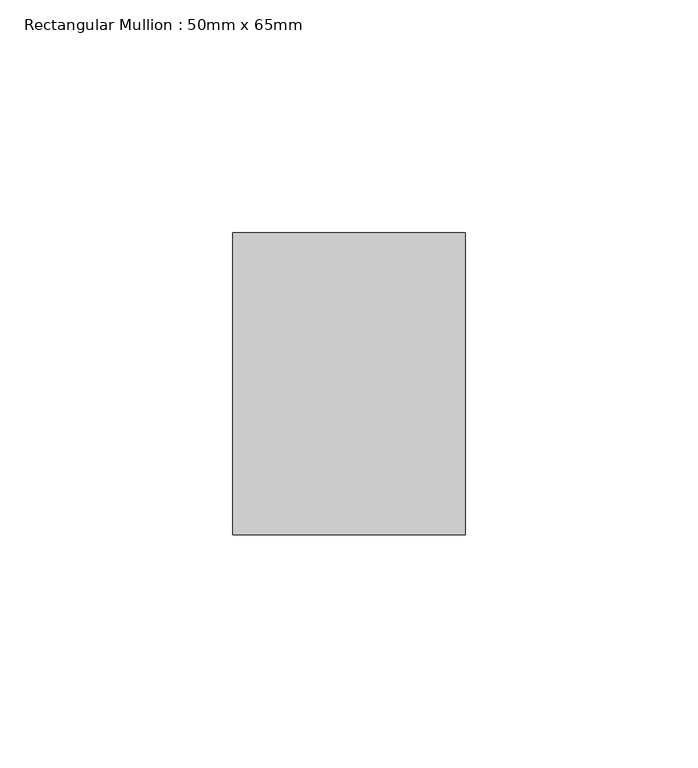
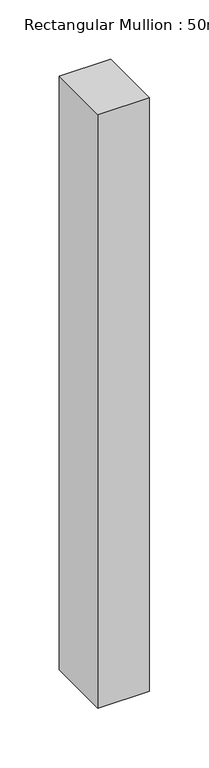
"""IFC4 building model written with IfcOpenShell, lengths in millimetres: member geometry, Rectangular Mullion : 50mm x 65mm."""

from ifc_helpers import new_model, si_unit, frame, origin, place, context, project, spatial, polyline, outline, extrude, source, transform, mapped, element, save


def rectangular_mullion_50mm_x_65mm_6896c903(model_context):
    return source(origin(), model_context, "Body", "SweptSolid", [
        extrude(outline(polyline([(25.0, 32.5), (25.0, -32.5), (-25.0, -32.5), (-25.0, 32.5), (25.0, 32.5)])), frame((0.0, 0.0, -610.7644732), z_axis=(0.0, 0.0, 1.0), x_axis=(1.0, 0.0, 0.0)), (0.0, 0.0, 1.0), 610.7644732),
    ])


if __name__ == "__main__":
    model = new_model("IFC4")
    model_context = context("Model", 3, world=origin())
    ifc_project = project(units=[si_unit("LENGTHUNIT", "METRE", prefix="MILLI")], contexts=[model_context])
    site = spatial("IfcSite", under=ifc_project)
    building = spatial("IfcBuilding", under=site)
    placement = place(None, origin())
    rectangular_mullion_50mm_x_65mm_shape = rectangular_mullion_50mm_x_65mm_6896c903(model_context)
    element("IfcMember", 1, ObjectType="Rectangular Mullion : 50mm x 65mm", at=placement, inside=building, context=model_context, shape_type="MappedRepresentation", body=[
        mapped(rectangular_mullion_50mm_x_65mm_shape, transform((0.0, 0.0, 0.0), x_axis=(1.0, 0.0, 0.0), y_axis=(0.0, 1.0, 0.0), z_axis=(0.0, 0.0, 1.0))),
    ])
    save(model, "model.ifc")
